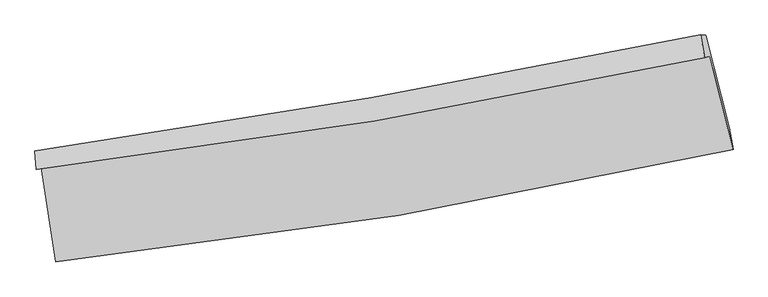
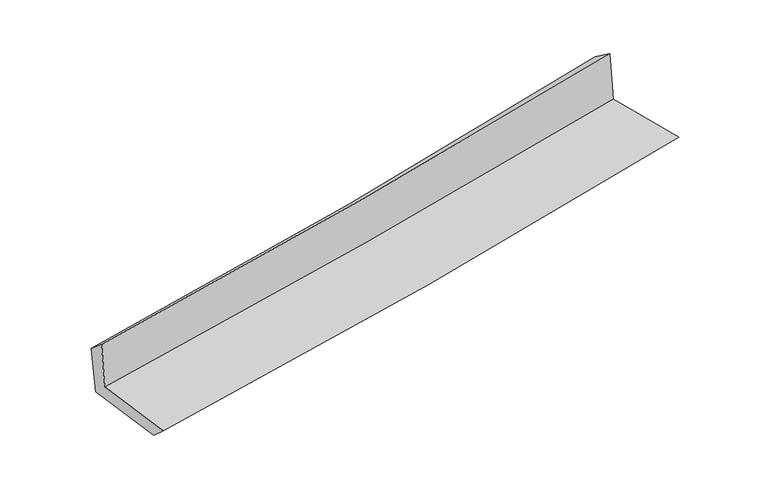
"""IFC4 building model written with IfcOpenShell, lengths in millimetres: proxy geometry."""

from ifc_helpers import new_model, si_unit, frame, origin, place, context, project, spatial, source, transform, mapped, element, save
from ifc_brep_helpers import plane_surface, spline_curve, spline_surface, advanced_brep


def generic_models_dc46011c(model_context):
    return source(origin(), model_context, "Body", "AdvancedBrep", [
        advanced_brep(
        [(-2341.453421, -1868.1503413, 1675.1400369), (-2240.4175929, -2517.1460984, 1654.6951577), (2422.1474308, -1744.6594372, 2097.451301), (2263.1420997, -1098.11375, 2089.6172526), (-2376.009695, -1880.8483645, 2062.7942485), (2226.0735104, -1111.7919553, 2500.6783834), (-2385.356137, -1753.6751561, 1955.7803677), (2197.866396, -952.8726764, 2388.225455), (-2348.7363599, -1754.8973613, 1568.7880914), (2235.3255217, -954.201843, 2010.8848284), (-2248.2519019, -2400.3514356, 1548.4547835), (2395.4322059, -1592.452508, 1986.6943476)],
        [
            (0, 1),
            (1, 2, spline_curve(3, [(-2240.4175929, -2517.1460984, 1654.6951577), (-1451.447088727, -2434.384902887, 1746.055469029), (-665.023141621, -2327.857836049, 1828.881816045), (889.077255363, -2069.541536561, 1976.172479709), (1656.841649354, -1918.573049686, 2040.931513803), (2422.1474308, -1744.6594372, 2097.451301)], [4, 2, 4], [0.0, 7.809356622693028, 15.482681827319364])),
            (2, 3),
            (3, 0, spline_curve(3, [(2263.1420997, -1098.11375, 2089.6172526), (1507.296198444, -1261.321849931, 2037.054145973), (749.049579952, -1406.689950301, 1976.606182871), (-785.729720336, -1664.006950023, 1838.729151809), (-1562.348275047, -1775.317712964, 1761.018042956), (-2341.453421, -1868.1503413, 1675.1400369)], [4, 2, 4], [0.0, 7.6733252046263365, 15.482681827319364])),
            (4, 0),
            (3, 5),
            (5, 4, spline_curve(3, [(2226.0735104, -1111.7919553, 2500.6783834), (1470.823152802, -1274.726940192, 2442.301750536), (713.082618996, -1419.87703053, 2377.00503413), (-820.856042698, -1676.865331637, 2231.291186791), (-1597.14324395, -1788.067377522, 2150.626525059), (-2376.009695, -1880.8483645, 2062.7942485)], [4, 2, 4], [0.0, 7.623398788422413, 15.38194390780598])),
            (6, 4),
            (5, 7),
            (7, 6, spline_curve(3, [(2197.866396, -952.8726764, 2388.225455), (1445.911911746, -1108.769236637, 2313.140429215), (691.37801896, -1252.968417977, 2239.861440261), (-836.270559961, -1520.320992481, 2095.648476075), (-1609.477511617, -1643.055971049, 2024.779102493), (-2385.356137, -1753.6751561, 1955.7803677)], [4, 2, 4], [0.0, 7.610704136670176, 15.356329555651321])),
            (8, 6),
            (7, 9),
            (9, 8, spline_curve(3, [(2235.3255217, -954.201843, 2010.8848284), (1483.240485667, -1110.259768665, 1933.977377046), (728.572021511, -1254.531584121, 1858.988936659), (-799.356196431, -1521.851678566, 1711.554714586), (-1572.708359591, -1644.478369436, 1639.17757624), (-2348.7363599, -1754.8973613, 1568.7880914)], [4, 2, 4], [0.0, 7.600352796846845, 15.335443369194053])),
            (10, 8),
            (9, 11),
            (11, 10, spline_curve(3, [(2395.4322059, -1592.452508, 1986.6943476), (1633.785514444, -1758.448470473, 1906.885750596), (869.412622901, -1908.322744312, 1830.749799863), (-678.384563718, -2178.199058819, 1684.538574879), (-1461.906374697, -2297.62442733, 1614.594670692), (-2248.2519019, -2400.3514356, 1548.4547835)], [4, 2, 4], [0.0, 7.650461905244372, 15.43654991183111])),
            (1, 10),
            (11, 2),
        ],
        [
            spline_surface(3, 3, [[(-2341.453421, -1868.1503413, 1675.1400369), (-1562.34827513, -1775.317713064, 1761.018042912), (-785.729720228, -1664.006949894, 1838.729151792), (749.049579846, -1406.689950428, 1976.606182888), (1507.296198464, -1261.321849844, 2037.054145856), (2263.1420997, -1098.11375, 2089.6172526)], [(-2307.774811636, -2084.482260333, 1668.325077187), (-1525.381213003, -1995.006776328, 1756.030518325), (-745.494193999, -1885.290578614, 1835.446706532), (795.725471664, -1627.64047914, 1976.461615176), (1557.14468207, -1480.40558311, 2038.346601877), (2316.143876735, -1313.628979065, 2092.228602069)], [(-2274.096202264, -2300.814179367, 1661.510117413), (-1488.414150868, -2214.695839593, 1751.042993676), (-705.258667778, -2106.574207331, 1832.164261267), (842.401363474, -1848.591007847, 1976.317047458), (1606.993165672, -1699.489316382, 2039.639057891), (2369.145653765, -1529.144208135, 2094.839951531)], [(-2240.4175929, -2517.1460984, 1654.6951577), (-1451.447088741, -2434.384902857, 1746.05546909), (-665.023141549, -2327.857836051, 1828.881816007), (889.077255292, -2069.541536559, 1976.172479746), (1656.841649279, -1918.573049648, 2040.931513912), (2422.1474308, -1744.6594372, 2097.451301)]], [4, 4], [4, 2, 4], [0.0, 2.2179631518796117], [0.0, 7.809356622693028, 15.482681827319364]),
            spline_surface(3, 3, [[(-2376.009695, -1880.8483645, 2062.7942485), (-1597.143244062, -1788.067377507, 2150.626524977), (-820.856042686, -1676.865331575, 2231.291186781), (713.082618985, -1419.877030591, 2377.00503414), (1470.823152771, -1274.726940101, 2442.301750575), (2226.0735104, -1111.7919553, 2500.6783834)], [(-2364.49093701, -1876.615690108, 1933.576177969), (-1585.544921095, -1783.817489367, 2020.757030958), (-809.14726854, -1672.579204358, 2100.437175116), (725.071605932, -1415.481337213, 2243.538750387), (1482.980834697, -1270.258576673, 2307.219215667), (2238.429706861, -1107.232553524, 2363.658006465)], [(-2352.97217899, -1872.383015692, 1804.358107431), (-1573.946598097, -1779.567601204, 1890.887536931), (-797.438494374, -1668.293077111, 1969.583163457), (737.060592899, -1411.085643805, 2110.07246664), (1495.138516538, -1265.790213272, 2172.136680764), (2250.785903239, -1102.673151776, 2226.637629535)], [(-2341.453421, -1868.1503413, 1675.1400369), (-1562.34827513, -1775.317713064, 1761.018042912), (-785.729720228, -1664.006949894, 1838.729151792), (749.049579846, -1406.689950428, 1976.606182888), (1507.296198464, -1261.321849844, 2037.054145856), (2263.1420997, -1098.11375, 2089.6172526)]], [4, 4], [4, 2, 4], [0.0, 1.3064784166326464], [0.0, 7.758545119383567, 15.38194390780598]),
            spline_surface(3, 3, [[(-2385.356137, -1753.6751561, 1955.7803677), (-1609.477511728, -1643.055971058, 2024.779102451), (-836.270560029, -1520.320992445, 2095.648476034), (691.378019026, -1252.968418013, 2239.861440301), (1445.911911661, -1108.769236714, 2313.14042915), (2197.866396, -952.8726764, 2388.225455)], [(-2382.240656323, -1796.06622558, 1991.451661293), (-1605.366089162, -1691.393106554, 2066.728243286), (-831.132387559, -1572.502438811, 2140.862712982), (698.612885701, -1308.604622195, 2285.575971613), (1454.215658693, -1164.088471195, 2356.194202981), (2207.268767462, -1005.845769385, 2425.70976449)], [(-2379.125175677, -1838.45729502, 2027.122954907), (-1601.254666628, -1739.73024201, 2108.677384142), (-825.994215156, -1624.683885208, 2186.076949833), (705.84775231, -1364.240826408, 2331.290502828), (1462.519405739, -1219.40770562, 2399.247976744), (2216.671138938, -1058.818862315, 2463.19407391)], [(-2376.009695, -1880.8483645, 2062.7942485), (-1597.143244062, -1788.067377507, 2150.626524977), (-820.856042686, -1676.865331575, 2231.291186781), (713.082618985, -1419.877030591, 2377.00503414), (1470.823152771, -1274.726940101, 2442.301750575), (2226.0735104, -1111.7919553, 2500.6783834)]], [4, 4], [4, 2, 4], [0.0, 0.6964882887384457], [0.0, 7.745625418981145, 15.356329555651321]),
            spline_surface(3, 3, [[(-2348.7363599, -1754.8973613, 1568.7880914), (-1572.708359703, -1644.478369311, 1639.177576215), (-799.35619653, -1521.851678613, 1711.554714666), (728.572021609, -1254.531584075, 1858.98893658), (1483.240485633, -1110.259768647, 1933.977377102), (2235.3255217, -954.201843, 2010.8848284)], [(-2360.942952283, -1754.489959564, 1697.785516837), (-1584.964743728, -1644.004236557, 1767.711418297), (-811.660984376, -1521.341449911, 1839.585968426), (716.174020735, -1254.010528742, 1985.946437791), (1470.797627624, -1109.762924659, 2060.365061109), (2222.839146449, -953.758787456, 2136.665037257)], [(-2373.149544617, -1754.082557836, 1826.782942263), (-1597.221127703, -1643.530103812, 1896.245260369), (-823.965772183, -1520.831221146, 1967.617222274), (703.7760199, -1253.489473346, 2112.90393909), (1458.354769669, -1109.266080702, 2186.752745144), (2210.352771251, -953.315731944, 2262.445246143)], [(-2385.356137, -1753.6751561, 1955.7803677), (-1609.477511728, -1643.055971058, 2024.779102451), (-836.270560029, -1520.320992445, 2095.648476034), (691.378019026, -1252.968418013, 2239.861440301), (1445.911911661, -1108.769236714, 2313.14042915), (2197.866396, -952.8726764, 2388.225455)]], [4, 4], [4, 2, 4], [0.0, 1.2608426061562172], [0.0, 7.735090572347207, 15.335443369194053]),
            spline_surface(3, 3, [[(-2248.2519019, -2400.3514356, 1548.4547835), (-1461.906374796, -2297.624427333, 1614.594670721), (-678.38456371, -2178.199058733, 1684.53857485), (869.412622893, -1908.322744397, 1830.749799891), (1633.785514384, -1758.448470428, 1906.885750474), (2395.4322059, -1592.452508, 1986.6943476)], [(-2281.746721231, -2185.200077506, 1555.232552791), (-1498.840369762, -2079.909074665, 1622.788972543), (-718.708441324, -1959.416598681, 1693.543954786), (822.465755791, -1690.392357611, 1840.162845451), (1583.603838126, -1542.385569836, 1915.916292694), (2342.063311159, -1379.702286334, 1994.757841211)], [(-2315.241540569, -1970.048719394, 1562.010322109), (-1535.774364737, -1862.193721979, 1630.983274392), (-759.032318916, -1740.634138664, 1702.54933473), (775.518888711, -1472.46197086, 1849.57589102), (1533.422161891, -1326.32266924, 1924.946834882), (2288.694416441, -1166.952064666, 2002.821334789)], [(-2348.7363599, -1754.8973613, 1568.7880914), (-1572.708359703, -1644.478369311, 1639.177576215), (-799.35619653, -1521.851678613, 1711.554714666), (728.572021609, -1254.531584075, 1858.98893658), (1483.240485633, -1110.259768647, 1933.977377102), (2235.3255217, -954.201843, 2010.8848284)]], [4, 4], [4, 2, 4], [0.0, 2.1934990719402943], [0.0, 7.786088006586738, 15.43654991183111]),
            spline_surface(3, 3, [[(-2240.4175929, -2517.1460984, 1654.6951577), (-1451.447088741, -2434.384902857, 1746.05546909), (-665.023141549, -2327.857836051, 1828.881816007), (889.077255292, -2069.541536559, 1976.172479746), (1656.841649279, -1918.573049648, 2040.931513912), (2422.1474308, -1744.6594372, 2097.451301)], [(-2243.029029217, -2478.214544109, 1619.281699622), (-1454.93351741, -2388.798077659, 1702.235202956), (-669.476948933, -2277.971576934, 1780.767402288), (882.522377828, -2015.801939161, 1927.698253128), (1649.156270981, -1865.19818991, 1996.249592741), (2413.242355834, -1693.923794135, 2060.532316508)], [(-2245.640465583, -2439.282989891, 1583.868241578), (-1458.419946127, -2343.211252532, 1658.414936855), (-673.930756326, -2228.085317849, 1732.652988569), (875.967500357, -1962.062341794, 1879.22402651), (1641.470892682, -1811.823330166, 1951.567671645), (2404.337280866, -1643.188151065, 2023.613332092)], [(-2248.2519019, -2400.3514356, 1548.4547835), (-1461.906374796, -2297.624427333, 1614.594670721), (-678.38456371, -2178.199058733, 1684.53857485), (869.412622893, -1908.322744397, 1830.749799891), (1633.785514384, -1758.448470428, 1906.885750474), (2395.4322059, -1592.452508, 1986.6943476)]], [4, 4], [4, 2, 4], [0.0, 0.698961503719755], [0.0, 7.847357485103144, 15.558021613973477]),
            plane_surface(frame((2289.9978608, -1242.348695, 2178.9252613), z_axis=(0.9663967576321192, 0.23881871449924763, 0.09509431341070793), x_axis=(-0.0987852115901997, 0.0035052074557715565, 0.9951026055094879))),
            plane_surface(frame((-2323.3708513, -2029.1781262, 1744.2754476), z_axis=(-0.9842858805765459, -0.1503147201791823, -0.09266493508931964), x_axis=(-0.1537528453744386, 0.9876194036665917, 0.031112313326235333))),
        ],
        [
            (0, [[1, 2, 3, 4]]),
            (1, [[5, -4, 6, 7]]),
            (2, [[8, -7, 9, 10]]),
            (3, [[11, -10, 12, 13]]),
            (4, [[14, -13, 15, 16]]),
            (5, [[17, -16, 18, -2]]),
            (6, [[-12, -9, -6, -3, -18, -15]]),
            (7, [[-1, -5, -8, -11, -14, -17]]),
        ],
    ),
    ])


if __name__ == "__main__":
    model = new_model("IFC4")
    model_context = context("Model", 3, world=origin())
    ifc_project = project(units=[si_unit("LENGTHUNIT", "METRE", prefix="MILLI")], contexts=[model_context])
    site = spatial("IfcSite", under=ifc_project)
    building = spatial("IfcBuilding", under=site)
    placement = place(None, origin())
    generic_models_shape = generic_models_dc46011c(model_context)
    element("IfcBuildingElementProxy", 1, Name="Generic Models", at=placement, inside=building, context=model_context, shape_type="MappedRepresentation", body=[
        mapped(generic_models_shape, transform((0.0, 0.0, 0.0), x_axis=(1.0, 0.0, 0.0), y_axis=(0.0, 1.0, 0.0), z_axis=(0.0, 0.0, 1.0))),
    ])
    save(model, "model.ifc")
